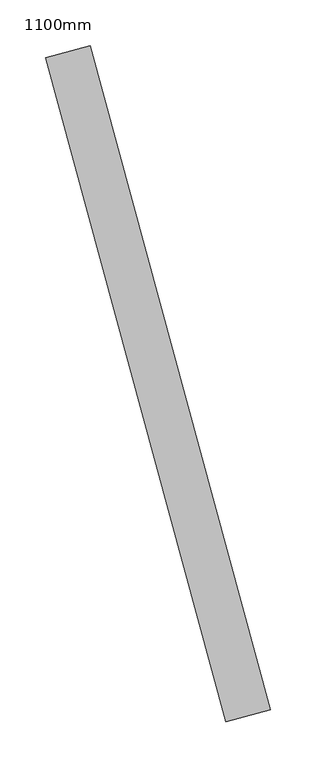
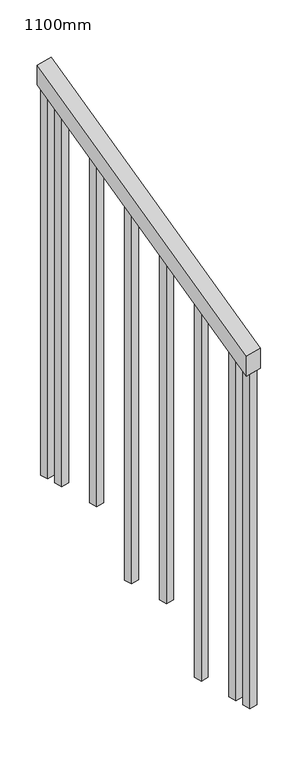
"""IFC4 building model written with IfcOpenShell, lengths in millimetres: railing geometry, 1100mm."""

from ifc_helpers import new_model, si_unit, frame, origin, place, context, project, spatial, polyline, outline, extrude, source, transform, mapped, element, save


def railing_1100mm_623442a2(model_context):
    return source(origin(), model_context, "Body", "SweptSolid", [
        extrude(outline(polyline([(-35.5555555, -50.0), (0.0, 0.0), (920.2958462, 0.0), (884.7402906, -50.0), (-35.5555555, -50.0)])), frame((240869.4005181, -62860.3299332, 1277.7777778), z_axis=(0.9649894123601837, 0.26228883703418915, 0.0), x_axis=(-0.2137536843159557, 0.7864232597553938, 0.5795237863600209)), (0.0, 0.0, 1.0), 50.0),
        extrude(outline(polyline([(1271.980277, -25.0), (108.8888889, -25.0), (91.1111112, 0.0), (1271.980277, 0.0), (1271.980277, -25.0)])), frame((240697.8606998, -62181.5587341, 1805.3136103), z_axis=(0.9649894123601837, 0.26228883703418915, 0.0), x_axis=(0.0, 0.0, -1.0)), (0.0, 0.0, 1.0), 25.0),
        extrude(outline(polyline([(1183.0913881, -25.0), (108.8888889, -25.0), (91.1111111, 0.0), (1183.0913881, 0.0), (1183.0913881, -25.0)])), frame((240730.6468044, -62302.1824106, 1716.4247214), z_axis=(0.9649894123601837, 0.26228883703418915, 0.0), x_axis=(0.0, 0.0, -1.0)), (0.0, 0.0, 1.0), 25.0),
        extrude(outline(polyline([(1271.9802769, -25.0), (108.8888889, -25.0), (91.1111111, 0.0), (1271.9802769, 0.0), (1271.9802769, -25.0)])), frame((240763.4329091, -62422.8060872, 1627.5358325), z_axis=(0.9649894123601837, 0.26228883703418915, 0.0), x_axis=(0.0, 0.0, -1.0)), (0.0, 0.0, 1.0), 25.0),
        extrude(outline(polyline([(1183.091388, -25.0), (108.8888889, -25.0), (91.1111111, 0.0), (1183.091388, 0.0), (1183.091388, -25.0)])), frame((240796.2190137, -62543.4297637, 1538.6469436), z_axis=(0.9649894123601837, 0.26228883703418915, 0.0), x_axis=(0.0, 0.0, -1.0)), (0.0, 0.0, 1.0), 25.0),
        extrude(outline(polyline([(1271.9802769, -25.0), (108.8888889, -25.0), (91.1111111, 0.0), (1271.9802769, 0.0), (1271.9802769, -25.0)])), frame((240829.0051183, -62664.0534403, 1449.7580547), z_axis=(0.9649894123601837, 0.26228883703418915, 0.0), x_axis=(0.0, 0.0, -1.0)), (0.0, 0.0, 1.0), 25.0),
        extrude(outline(polyline([(1183.091388, -25.0), (108.8888889, -25.0), (91.1111111, 0.0), (1183.091388, 0.0), (1183.091388, -25.0)])), frame((240861.791223, -62784.6771168, 1360.8691658), z_axis=(0.9649894123601837, 0.26228883703418915, 0.0), x_axis=(0.0, 0.0, -1.0)), (0.0, 0.0, 1.0), 25.0),
        extrude(outline(polyline([(1307.5358325, -25.0), (108.8888889, -25.0), (91.1111111, 0.0), (1307.5358325, 0.0), (1307.5358325, -25.0)])), frame((240684.746258, -62133.3092635, 1840.8691658), z_axis=(0.9649894123601837, 0.26228883703418915, 0.0), x_axis=(0.0, 0.0, -1.0)), (0.0, 0.0, 1.0), 25.0),
        extrude(outline(polyline([(1147.5358325, -25.0), (108.8888889, -25.0), (91.1111112, 0.0), (1147.5358325, 0.0), (1147.5358325, -25.0)])), frame((240874.9056648, -62832.9265874, 1325.3136103), z_axis=(0.9649894123601837, 0.26228883703418915, 0.0), x_axis=(0.0, 0.0, -1.0)), (0.0, 0.0, 1.0), 25.0),
    ])


if __name__ == "__main__":
    model = new_model("IFC4")
    model_context = context("Model", 3, world=origin())
    ifc_project = project(units=[si_unit("LENGTHUNIT", "METRE", prefix="MILLI")], contexts=[model_context])
    site = spatial("IfcSite", under=ifc_project)
    building = spatial("IfcBuilding", under=site)
    placement = place(None, origin())
    railing_1100mm_shape = railing_1100mm_623442a2(model_context)
    element("IfcRailing", 1, ObjectType="1100mm", at=placement, inside=building, context=model_context, shape_type="MappedRepresentation", body=[
        mapped(railing_1100mm_shape, transform((0.0, 0.0, 0.0), x_axis=(1.0, 0.0, 0.0), y_axis=(0.0, 1.0, 0.0), z_axis=(0.0, 0.0, 1.0))),
    ])
    save(model, "model.ifc")
